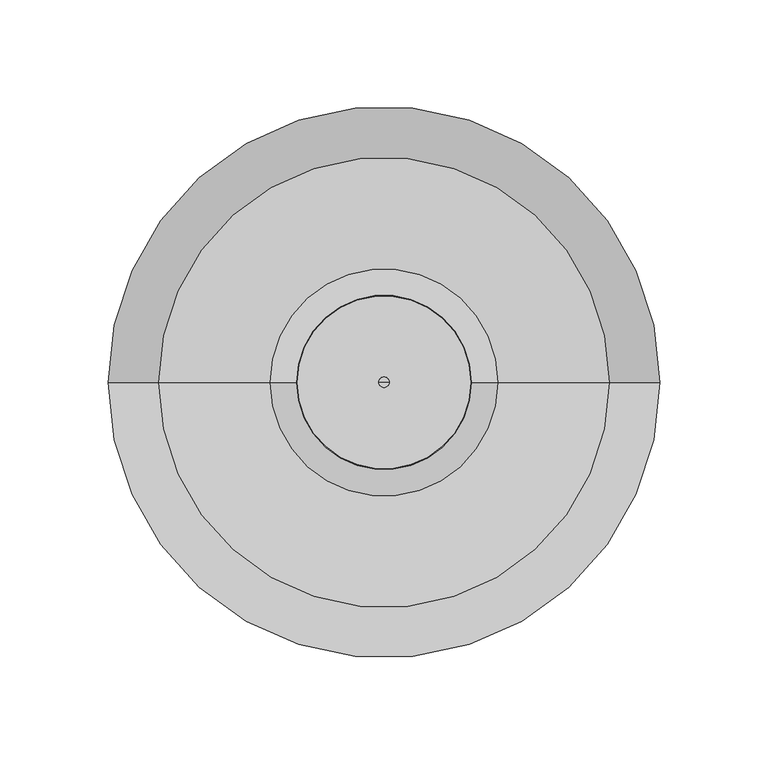
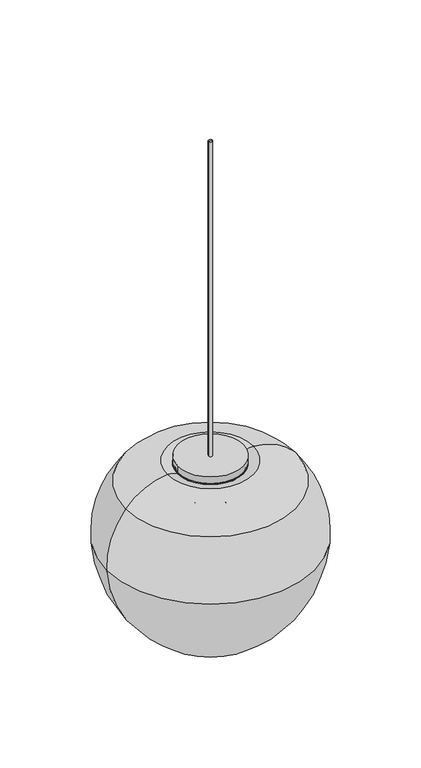
"""IFC4 building model written with IfcOpenShell, lengths in millimetres: furniture geometry."""

from ifc_helpers import new_model, si_unit, point, frame, origin, origin_2d, place, context, project, spatial, polyline, circle_curve, ellipse_curve, trimmed, segment, composite_curve, outline, extrude, source, transform, mapped, element, save
from ifc_brep_helpers import plane_surface, cylinder_surface, revolved_surface, advanced_brep


def furniture_e28f69b6(model_context):
    return source(origin(), model_context, "Body", "SolidModel", [
        advanced_brep(
        [(2.4, 0.0, 2618.0848085), (-2.4, 0.0, 2618.0848085), (0.0, 0.0, 2618.0848085), (2.4, 0.0, 2210.3532591), (-2.4, 0.0, 2210.3532591), (0.0, 0.0, 2210.3532591)],
        [
            (0, 1, circle_curve(frame((0.0, 0.0, 2618.0848085), z_axis=(0.0, 0.0, 1.0), x_axis=(-1.0, 0.0, 0.0)), 2.4)),
            (1, 2),
            (2, 0),
            (1, 0, circle_curve(frame((0.0, 0.0, 2618.0848085), z_axis=(0.0, 0.0, 1.0), x_axis=(-1.0, 0.0, 0.0)), 2.4)),
            (3, 4, circle_curve(frame((0.0, 0.0, 2210.3532591), z_axis=(0.0, 0.0, 1.0), x_axis=(-1.0, 0.0, 0.0)), 2.4)),
            (4, 1),
            (0, 3),
            (4, 3, circle_curve(frame((0.0, 0.0, 2210.3532591), z_axis=(0.0, 0.0, 1.0), x_axis=(-1.0, 0.0, 0.0)), 2.4)),
            (5, 4),
            (3, 5),
        ],
        [
            plane_surface(frame((0.0, 0.0, 2618.0848085), z_axis=(0.0, 0.0, 1.0), x_axis=(-1.0, 0.0, 0.0))),
            cylinder_surface(frame((0.0, 0.0, 2758.0848085), z_axis=(0.0, 0.0, -1.0), x_axis=(-1.0, 0.0, 0.0)), 2.4),
            plane_surface(frame((0.0, 0.0, 2210.3532591), z_axis=(0.0, 0.0, -1.0), x_axis=(-1.0, 0.0, 0.0))),
        ],
        [
            (0, [[1, 2, 3]]),
            (0, [[4, -3, -2]]),
            (1, [[5, 6, -1, 7]]),
            (1, [[8, -7, -4, -6]]),
            (2, [[9, -5, 10]]),
            (2, [[-10, -8, -9]]),
        ],
    ),
        advanced_brep(
        [(33.0484978, 0.0, 2171.3856638), (-33.0484978, 0.0, 2171.3856638), (-17.1131764, 0.0, 2169.3398584), (17.1131764, 0.0, 2169.3398584), (37.6178913, 0.0, 2196.3188696), (-37.6178913, 0.0, 2196.3188696), (40.3357494, 0.0, 2200.504004), (-40.3357494, 0.0, 2200.504004), (52.541004, 0.0, 2203.8743667), (-52.541004, 0.0, 2203.8743667), (104.0407259, 0.0, 2177.6339478), (-104.0407259, 0.0, 2177.6339478), (127.4379676, 0.0, 2106.2550346), (-127.4379676, 0.0, 2106.2550346), (66.3374457, 0.0, 1995.0802981), (-66.3374457, 0.0, 1995.0802981), (54.304467, 0.0, 1990.700652), (-54.304467, 0.0, 1990.700652), (48.170772, 0.0, 1987.4885739), (-48.170772, 0.0, 1987.4885739), (34.0618857, 0.0, 1987.4885739), (-34.0618857, 0.0, 1987.4885739), (44.0533764, 0.0, 1994.3860591), (-44.0533764, 0.0, 1994.3860591), (97.6764874, 0.0, 2039.3811918), (-97.6764874, 0.0, 2039.3811918), (86.7603607, 0.0, 2152.6830276), (-86.7603607, 0.0, 2152.6830276), (75.640033, 0.0, 2158.9844225), (-75.640033, 0.0, 2158.9844225), (17.1131764, 0.0, 2163.406597), (-17.1131764, 0.0, 2163.406597), (10.8107358, 0.0, 2163.406597), (-10.8107358, 0.0, 2163.406597), (10.8107358, 0.0, 2165.5046274), (-10.8107358, 0.0, 2165.5046274), (17.1131764, 0.0, 2165.5046274), (-17.1131764, 0.0, 2165.5046274)],
        [
            (0, 1, circle_curve(frame((0.0, 0.0, 2171.3856638), z_axis=(0.0, 0.0, 1.0), x_axis=(-1.0, 0.0, 0.0)), 33.0484978)),
            (1, 2),
            (2, 3, circle_curve(frame((0.0, 0.0, 2169.3398584), z_axis=(0.0, 0.0, -1.0), x_axis=(-1.0, 0.0, 0.0)), 17.1131764)),
            (3, 0),
            (1, 0, circle_curve(frame((0.0, 0.0, 2171.3856638), z_axis=(0.0, 0.0, 1.0), x_axis=(-1.0, 0.0, 0.0)), 33.0484978)),
            (3, 2, circle_curve(frame((0.0, 0.0, 2169.3398584), z_axis=(0.0, 0.0, -1.0), x_axis=(-1.0, 0.0, 0.0)), 17.1131764)),
            (4, 5, circle_curve(frame((0.0, 0.0, 2196.3188696), z_axis=(0.0, 0.0, 1.0), x_axis=(-1.0, 0.0, 0.0)), 37.6178913)),
            (5, 1),
            (0, 4),
            (5, 4, circle_curve(frame((0.0, 0.0, 2196.3188696), z_axis=(0.0, 0.0, 1.0), x_axis=(-1.0, 0.0, 0.0)), 37.6178913)),
            (6, 7, circle_curve(frame((0.0, 0.0, 2200.504004), z_axis=(0.0, 0.0, 1.0), x_axis=(-1.0, 0.0, 0.0)), 40.3357494)),
            (7, 5, circle_curve(frame((-44.0002056, 0.0, 2195.1492123), z_axis=(0.0, 1.0, 0.0), x_axis=(1.0, 0.0, 0.0)), 6.488608)),
            (4, 6, circle_curve(frame((44.0002056, 0.0, 2195.1492123), z_axis=(0.0, 1.0, 0.0), x_axis=(-1.0, 0.0, 0.0)), 6.488608)),
            (7, 6, circle_curve(frame((0.0, 0.0, 2200.504004), z_axis=(0.0, 0.0, 1.0), x_axis=(-1.0, 0.0, 0.0)), 40.3357494)),
            (8, 9, circle_curve(frame((0.0, 0.0, 2203.8743667), z_axis=(0.0, 0.0, 1.0), x_axis=(-1.0, 0.0, 0.0)), 52.541004)),
            (9, 7, circle_curve(frame((-51.3469336, 0.0, 2184.4135951), z_axis=(0.0, 1.0, 0.0), x_axis=(1.0, 0.0, 0.0)), 19.49737)),
            (6, 8, circle_curve(frame((51.3469336, 0.0, 2184.4135951), z_axis=(0.0, 1.0, 0.0), x_axis=(-1.0, 0.0, 0.0)), 19.49737)),
            (9, 8, circle_curve(frame((0.0, 0.0, 2203.8743667), z_axis=(0.0, 0.0, 1.0), x_axis=(-1.0, 0.0, 0.0)), 52.541004)),
            (10, 11, circle_curve(frame((0.0, 0.0, 2177.6339478), z_axis=(0.0, 0.0, 1.0), x_axis=(-1.0, 0.0, 0.0)), 104.0407259)),
            (11, 9, circle_curve(frame((-48.1003953, 0.0, 2131.5020244), z_axis=(0.0, 1.0, 0.0), x_axis=(1.0, 0.0, 0.0)), 72.5084474)),
            (8, 10, circle_curve(frame((48.1003953, 0.0, 2131.5020244), z_axis=(0.0, 1.0, 0.0), x_axis=(-1.0, 0.0, 0.0)), 72.5084474)),
            (11, 10, circle_curve(frame((0.0, 0.0, 2177.6339478), z_axis=(0.0, 0.0, 1.0), x_axis=(-1.0, 0.0, 0.0)), 104.0407259)),
            (12, 13, circle_curve(frame((0.0, 0.0, 2106.2550346), z_axis=(0.0, 0.0, 1.0), x_axis=(-1.0, 0.0, 0.0)), 127.4379676)),
            (13, 11, circle_curve(frame((-24.4950932, 0.0, 2112.0356041), z_axis=(0.0, 1.0, 0.0), x_axis=(1.0, 0.0, 0.0)), 103.1050453)),
            (10, 12, circle_curve(frame((24.4950932, 0.0, 2112.0356041), z_axis=(0.0, 1.0, 0.0), x_axis=(-1.0, 0.0, 0.0)), 103.1050453)),
            (13, 12, circle_curve(frame((0.0, 0.0, 2106.2550346), z_axis=(0.0, 0.0, 1.0), x_axis=(-1.0, 0.0, 0.0)), 127.4379676)),
            (14, 15, circle_curve(frame((0.0, 0.0, 1995.0802981), z_axis=(0.0, 0.0, 1.0), x_axis=(-1.0, 0.0, 0.0)), 66.3374457)),
            (15, 13, circle_curve(frame((19.2423862, 0.0, 2114.4916025), z_axis=(0.0, 1.0, 0.0), x_axis=(1.0, 0.0, 0.0)), 146.9114266)),
            (12, 14, circle_curve(frame((-19.2423862, 0.0, 2114.4916025), z_axis=(0.0, 1.0, 0.0), x_axis=(-1.0, 0.0, 0.0)), 146.9114266)),
            (15, 14, circle_curve(frame((0.0, 0.0, 1995.0802981), z_axis=(0.0, 0.0, 1.0), x_axis=(-1.0, 0.0, 0.0)), 66.3374457)),
            (16, 17, circle_curve(frame((0.0, 0.0, 1990.700652), z_axis=(0.0, 0.0, 1.0), x_axis=(-1.0, 0.0, 0.0)), 54.304467)),
            (17, 15, circle_curve(frame((-52.4929036, 0.0, 2014.3978731), z_axis=(0.0, 1.0, 0.0), x_axis=(1.0, 0.0, 0.0)), 23.7663639)),
            (14, 16, circle_curve(frame((52.4929036, 0.0, 2014.3978731), z_axis=(0.0, 1.0, 0.0), x_axis=(-1.0, 0.0, 0.0)), 23.7663639)),
            (17, 16, circle_curve(frame((0.0, 0.0, 1990.700652), z_axis=(0.0, 0.0, 1.0), x_axis=(-1.0, 0.0, 0.0)), 54.304467)),
            (18, 19, circle_curve(frame((0.0, 0.0, 1987.4885739), z_axis=(0.0, 0.0, 1.0), x_axis=(-1.0, 0.0, 0.0)), 48.170772)),
            (19, 17, circle_curve(frame((-54.972452, 0.0, 1981.9626806), z_axis=(0.0, -1.0, 0.0), x_axis=(1.0, 0.0, 0.0)), 8.7634667)),
            (16, 18, circle_curve(frame((54.972452, 0.0, 1981.9626806), z_axis=(0.0, -1.0, 0.0), x_axis=(-1.0, 0.0, 0.0)), 8.7634667)),
            (19, 18, circle_curve(frame((0.0, 0.0, 1987.4885739), z_axis=(0.0, 0.0, 1.0), x_axis=(-1.0, 0.0, 0.0)), 48.170772)),
            (20, 21, circle_curve(frame((0.0, 0.0, 1987.4885739), z_axis=(0.0, 0.0, 1.0), x_axis=(-1.0, 0.0, 0.0)), 34.0618857)),
            (21, 19),
            (18, 20),
            (21, 20, circle_curve(frame((0.0, 0.0, 1987.4885739), z_axis=(0.0, 0.0, 1.0), x_axis=(-1.0, 0.0, 0.0)), 34.0618857)),
            (22, 23, circle_curve(frame((0.0, 0.0, 1994.3860591), z_axis=(0.0, 0.0, 1.0), x_axis=(-1.0, 0.0, 0.0)), 44.0533764)),
            (23, 21, circle_curve(frame((-48.3405519, 0.0, 1977.4903552), z_axis=(0.0, 1.0, 0.0), x_axis=(1.0, 0.0, 0.0)), 17.4311412)),
            (20, 22, circle_curve(frame((48.3405519, 0.0, 1977.4903552), z_axis=(0.0, 1.0, 0.0), x_axis=(-1.0, 0.0, 0.0)), 17.4311412)),
            (23, 22, circle_curve(frame((0.0, 0.0, 1994.3860591), z_axis=(0.0, 0.0, 1.0), x_axis=(-1.0, 0.0, 0.0)), 44.0533764)),
            (24, 25, circle_curve(frame((0.0, 0.0, 2039.3811918), z_axis=(0.0, 0.0, 1.0), x_axis=(-1.0, 0.0, 0.0)), 97.6764874)),
            (25, 23, circle_curve(frame((-24.2477356, 0.0, 2072.4398367), z_axis=(0.0, -1.0, 0.0), x_axis=(1.0, 0.0, 0.0)), 80.5273593)),
            (22, 24, circle_curve(frame((24.2477356, 0.0, 2072.4398367), z_axis=(0.0, -1.0, 0.0), x_axis=(-1.0, 0.0, 0.0)), 80.5273593)),
            (25, 24, circle_curve(frame((0.0, 0.0, 2039.3811918), z_axis=(0.0, 0.0, 1.0), x_axis=(-1.0, 0.0, 0.0)), 97.6764874)),
            (26, 27, circle_curve(frame((0.0, 0.0, 2152.6830276), z_axis=(0.0, 0.0, 1.0), x_axis=(-1.0, 0.0, 0.0)), 86.7603607)),
            (27, 25, circle_curve(frame((6.9356984, 0.0, 2086.4790521), z_axis=(0.0, -1.0, 0.0), x_axis=(1.0, 0.0, 0.0)), 114.725402)),
            (24, 26, circle_curve(frame((-6.9356984, 0.0, 2086.4790521), z_axis=(0.0, -1.0, 0.0), x_axis=(-1.0, 0.0, 0.0)), 114.725402)),
            (27, 26, circle_curve(frame((0.0, 0.0, 2152.6830276), z_axis=(0.0, 0.0, 1.0), x_axis=(-1.0, 0.0, 0.0)), 86.7603607)),
            (28, 29, circle_curve(frame((0.0, 0.0, 2158.9844225), z_axis=(0.0, 0.0, 1.0), x_axis=(-1.0, 0.0, 0.0)), 75.640033)),
            (29, 27, circle_curve(frame((-74.5098838, 0.0, 2144.0270576), z_axis=(0.0, -1.0, 0.0), x_axis=(1.0, 0.0, 0.0)), 15.0)),
            (26, 28, circle_curve(frame((74.5098838, 0.0, 2144.0270576), z_axis=(0.0, -1.0, 0.0), x_axis=(-1.0, 0.0, 0.0)), 15.0)),
            (29, 28, circle_curve(frame((0.0, 0.0, 2158.9844225), z_axis=(0.0, 0.0, 1.0), x_axis=(-1.0, 0.0, 0.0)), 75.640033)),
            (30, 31, circle_curve(frame((0.0, 0.0, 2163.406597), z_axis=(0.0, 0.0, 1.0), x_axis=(-1.0, 0.0, 0.0)), 17.1131764)),
            (31, 29),
            (28, 30),
            (31, 30, circle_curve(frame((0.0, 0.0, 2163.406597), z_axis=(0.0, 0.0, 1.0), x_axis=(-1.0, 0.0, 0.0)), 17.1131764)),
            (32, 33, circle_curve(frame((0.0, 0.0, 2163.406597), z_axis=(0.0, 0.0, 1.0), x_axis=(-1.0, 0.0, 0.0)), 10.8107358)),
            (33, 31),
            (30, 32),
            (33, 32, circle_curve(frame((0.0, 0.0, 2163.406597), z_axis=(0.0, 0.0, 1.0), x_axis=(-1.0, 0.0, 0.0)), 10.8107358)),
            (34, 35, circle_curve(frame((0.0, 0.0, 2165.5046274), z_axis=(0.0, 0.0, 1.0), x_axis=(-1.0, 0.0, 0.0)), 10.8107358)),
            (35, 33),
            (32, 34),
            (35, 34, circle_curve(frame((0.0, 0.0, 2165.5046274), z_axis=(0.0, 0.0, 1.0), x_axis=(-1.0, 0.0, 0.0)), 10.8107358)),
            (36, 37, circle_curve(frame((0.0, 0.0, 2165.5046274), z_axis=(0.0, 0.0, 1.0), x_axis=(-1.0, 0.0, 0.0)), 17.1131764)),
            (37, 35),
            (34, 36),
            (37, 36, circle_curve(frame((0.0, 0.0, 2165.5046274), z_axis=(0.0, 0.0, 1.0), x_axis=(-1.0, 0.0, 0.0)), 17.1131764)),
            (2, 37),
            (36, 3),
        ],
        [
            revolved_surface(polyline([(-17.1131764, 0.0, 2169.3398584), (-33.0484978, 0.0, 2171.3856638)]), (0.0, 0.0, 2253.2393661), (0.0, 0.0, -1.0)),
            revolved_surface(polyline([(-33.0484978, 0.0, 2171.3856638), (-37.6178913, 0.0, 2196.3188696)]), (0.0, 0.0, 2253.2393661), (0.0, 0.0, -1.0)),
            revolved_surface(trimmed(ellipse_curve(frame((-44.0002056, 0.0, 2195.1492123), z_axis=(0.0, -1.0, 0.0), x_axis=(1.0, 0.0, 0.0)), 6.488608, 6.488608), [point((-37.6178913, 0.0, 2196.3188696))], [point((-40.3357494, 0.0, 2200.504004))], True, "CARTESIAN"), (0.0, 0.0, 2253.2393661), (0.0, 0.0, -1.0)),
            revolved_surface(trimmed(ellipse_curve(frame((-51.3469336, 0.0, 2184.4135951), z_axis=(0.0, -1.0, 0.0), x_axis=(1.0, 0.0, 0.0)), 19.49737, 19.49737), [point((-40.3357494, 0.0, 2200.504004))], [point((-52.541004, 0.0, 2203.8743667))], True, "CARTESIAN"), (0.0, 0.0, 2253.2393661), (0.0, 0.0, -1.0)),
            revolved_surface(trimmed(ellipse_curve(frame((-48.1003953, 0.0, 2131.5020244), z_axis=(0.0, -1.0, 0.0), x_axis=(1.0, 0.0, 0.0)), 72.5084474, 72.5084474), [point((-52.541004, 0.0, 2203.8743667))], [point((-104.0407259, 0.0, 2177.6339478))], True, "CARTESIAN"), (0.0, 0.0, 2253.2393661), (0.0, 0.0, -1.0)),
            revolved_surface(trimmed(ellipse_curve(frame((-24.4950932, 0.0, 2112.0356041), z_axis=(0.0, -1.0, 0.0), x_axis=(1.0, 0.0, 0.0)), 103.1050453, 103.1050453), [point((-104.0407259, 0.0, 2177.6339478))], [point((-127.4379676, 0.0, 2106.2550346))], True, "CARTESIAN"), (0.0, 0.0, 2253.2393661), (0.0, 0.0, -1.0)),
            revolved_surface(trimmed(ellipse_curve(frame((19.2423862, 0.0, 2114.4916025), z_axis=(0.0, -1.0, 0.0), x_axis=(1.0, 0.0, 0.0)), 146.9114266, 146.9114266), [point((-127.4379676, 0.0, 2106.2550346))], [point((-66.3374457, 0.0, 1995.0802981))], True, "CARTESIAN"), (0.0, 0.0, 2253.2393661), (0.0, 0.0, -1.0)),
            revolved_surface(trimmed(ellipse_curve(frame((-52.4929036, 0.0, 2014.3978731), z_axis=(0.0, -1.0, 0.0), x_axis=(1.0, 0.0, 0.0)), 23.7663639, 23.7663639), [point((-66.3374457, 0.0, 1995.0802981))], [point((-54.304467, 0.0, 1990.700652))], True, "CARTESIAN"), (0.0, 0.0, 2253.2393661), (0.0, 0.0, -1.0)),
            revolved_surface(trimmed(ellipse_curve(frame((-54.972452, 0.0, 1981.9626806), z_axis=(0.0, 1.0, 0.0), x_axis=(1.0, 0.0, 0.0)), 8.7634667, 8.7634667), [point((-54.304467, 0.0, 1990.700652))], [point((-48.170772, 0.0, 1987.4885739))], True, "CARTESIAN"), (0.0, 0.0, 2253.2393661), (0.0, 0.0, -1.0)),
            plane_surface(frame((0.0, 0.0, 1987.4885739), z_axis=(0.0, 0.0, -1.0), x_axis=(-1.0, 0.0, 0.0))),
            revolved_surface(trimmed(ellipse_curve(frame((-48.3405519, 0.0, 1977.4903552), z_axis=(0.0, -1.0, 0.0), x_axis=(1.0, 0.0, 0.0)), 17.4311412, 17.4311412), [point((-34.0618857, 0.0, 1987.4885739))], [point((-44.0533764, 0.0, 1994.3860591))], True, "CARTESIAN"), (0.0, 0.0, 2253.2393661), (0.0, 0.0, -1.0)),
            revolved_surface(trimmed(ellipse_curve(frame((-24.2477356, 0.0, 2072.4398367), z_axis=(0.0, 1.0, 0.0), x_axis=(1.0, 0.0, 0.0)), 80.5273593, 80.5273593), [point((-44.0533764, 0.0, 1994.3860591))], [point((-97.6764874, 0.0, 2039.3811918))], True, "CARTESIAN"), (0.0, 0.0, 2253.2393661), (0.0, 0.0, -1.0)),
            revolved_surface(trimmed(ellipse_curve(frame((6.9356984, 0.0, 2086.4790521), z_axis=(0.0, 1.0, 0.0), x_axis=(1.0, 0.0, 0.0)), 114.725402, 114.725402), [point((-97.6764874, 0.0, 2039.3811918))], [point((-86.7603607, 0.0, 2152.6830276))], True, "CARTESIAN"), (0.0, 0.0, 2253.2393661), (0.0, 0.0, -1.0)),
            revolved_surface(trimmed(ellipse_curve(frame((-74.5098838, 0.0, 2144.0270576), z_axis=(0.0, 1.0, 0.0), x_axis=(1.0, 0.0, 0.0)), 15.0, 15.0), [point((-86.7603607, 0.0, 2152.6830276))], [point((-75.640033, 0.0, 2158.9844225))], True, "CARTESIAN"), (0.0, 0.0, 2253.2393661), (0.0, 0.0, -1.0)),
            revolved_surface(polyline([(-75.640033, 0.0, 2158.9844225), (-17.1131764, 0.0, 2163.406597)]), (0.0, 0.0, 2253.2393661), (0.0, 0.0, -1.0)),
            plane_surface(frame((0.0, 0.0, 2163.406597), z_axis=(0.0, 0.0, -1.0), x_axis=(-1.0, 0.0, 0.0))),
            revolved_surface(polyline([(-10.8107358, 0.0, 2163.406597), (-10.8107358, 0.0, 2165.5046274)]), (0.0, 0.0, 2253.2393661), (0.0, 0.0, -1.0)),
            plane_surface(frame((0.0, 0.0, 2165.5046274), z_axis=(0.0, 0.0, 1.0), x_axis=(-1.0, 0.0, 0.0))),
            revolved_surface(polyline([(-17.1131764, 0.0, 2165.5046274), (-17.1131764, 0.0, 2169.3398584)]), (0.0, 0.0, 2253.2393661), (0.0, 0.0, -1.0)),
        ],
        [
            (0, [[1, 2, 3, 4]]),
            (0, [[5, -4, 6, -2]]),
            (1, [[7, 8, -1, 9]]),
            (1, [[10, -9, -5, -8]]),
            (2, [[11, 12, -7, 13]]),
            (2, [[14, -13, -10, -12]]),
            (3, [[15, 16, -11, 17]]),
            (3, [[18, -17, -14, -16]]),
            (4, [[19, 20, -15, 21]]),
            (4, [[22, -21, -18, -20]]),
            (5, [[23, 24, -19, 25]]),
            (5, [[26, -25, -22, -24]]),
            (6, [[27, 28, -23, 29]]),
            (6, [[30, -29, -26, -28]]),
            (7, [[31, 32, -27, 33]]),
            (7, [[34, -33, -30, -32]]),
            (8, [[35, 36, -31, 37]]),
            (8, [[38, -37, -34, -36]]),
            (9, [[39, 40, -35, 41]]),
            (9, [[42, -41, -38, -40]]),
            (10, [[43, 44, -39, 45]]),
            (10, [[46, -45, -42, -44]]),
            (11, [[47, 48, -43, 49]]),
            (11, [[50, -49, -46, -48]]),
            (12, [[51, 52, -47, 53]]),
            (12, [[54, -53, -50, -52]]),
            (13, [[55, 56, -51, 57]]),
            (13, [[58, -57, -54, -56]]),
            (14, [[59, 60, -55, 61]]),
            (14, [[62, -61, -58, -60]]),
            (15, [[63, 64, -59, 65]]),
            (15, [[66, -65, -62, -64]]),
            (16, [[67, 68, -63, 69]]),
            (16, [[70, -69, -66, -68]]),
            (17, [[71, 72, -67, 73]]),
            (17, [[74, -73, -70, -72]]),
            (18, [[-3, 75, -71, 76]]),
            (18, [[-6, -76, -74, -75]]),
        ],
    ),
        advanced_brep(
        [(18.0469701, 0.0, 2143.9706819), (-18.0469701, 0.0, 2143.9706819), (-14.1689248, 0.0, 2146.9904958), (14.1689248, 0.0, 2146.9904958), (29.9624187, 0.0, 2096.8279508), (-29.9624187, 0.0, 2096.8279508), (28.4040291, 0.0, 2063.6609346), (-28.4040291, 0.0, 2063.6609346), (0.0, 0.0, 2043.6110412), (0.0, 0.0, 2146.9904958)],
        [
            (0, 1, circle_curve(frame((0.0, 0.0, 2143.9706819), z_axis=(0.0, 0.0, 1.0), x_axis=(-1.0, 0.0, 0.0)), 18.0469701)),
            (1, 2, circle_curve(frame((-14.1689248, 0.0, 2142.9904958), z_axis=(0.0, 1.0, 0.0), x_axis=(1.0, 0.0, 0.0)), 4.0)),
            (2, 3, circle_curve(frame((0.0, 0.0, 2146.9904958), z_axis=(0.0, 0.0, -1.0), x_axis=(-1.0, 0.0, 0.0)), 14.1689248)),
            (3, 0, circle_curve(frame((14.1689248, 0.0, 2142.9904958), z_axis=(0.0, 1.0, 0.0), x_axis=(-1.0, 0.0, 0.0)), 4.0)),
            (1, 0, circle_curve(frame((0.0, 0.0, 2143.9706819), z_axis=(0.0, 0.0, 1.0), x_axis=(-1.0, 0.0, 0.0)), 18.0469701)),
            (3, 2, circle_curve(frame((0.0, 0.0, 2146.9904958), z_axis=(0.0, 0.0, -1.0), x_axis=(-1.0, 0.0, 0.0)), 14.1689248)),
            (4, 5, circle_curve(frame((0.0, 0.0, 2096.8279508), z_axis=(0.0, 0.0, 1.0), x_axis=(-1.0, 0.0, 0.0)), 29.9624187)),
            (5, 1),
            (0, 4),
            (5, 4, circle_curve(frame((0.0, 0.0, 2096.8279508), z_axis=(0.0, 0.0, 1.0), x_axis=(-1.0, 0.0, 0.0)), 29.9624187)),
            (6, 7, circle_curve(frame((0.0, 0.0, 2063.6609346), z_axis=(0.0, 0.0, 1.0), x_axis=(-1.0, 0.0, 0.0)), 28.4040291)),
            (7, 5, circle_curve(frame((25.4862673, 0.0, 2082.8131503), z_axis=(0.0, 1.0, 0.0), x_axis=(1.0, 0.0, 0.0)), 57.1924069)),
            (4, 6, circle_curve(frame((-25.4862673, 0.0, 2082.8131503), z_axis=(0.0, 1.0, 0.0), x_axis=(-1.0, 0.0, 0.0)), 57.1924069)),
            (7, 6, circle_curve(frame((0.0, 0.0, 2063.6609346), z_axis=(0.0, 0.0, 1.0), x_axis=(-1.0, 0.0, 0.0)), 28.4040291)),
            (8, 7, circle_curve(frame((0.0, 0.0, 2073.755518), z_axis=(0.0, 1.0, 0.0), x_axis=(1.0, 0.0, 0.0)), 30.1444768)),
            (6, 8, circle_curve(frame((0.0, 0.0, 2073.755518), z_axis=(0.0, 1.0, 0.0), x_axis=(-1.0, 0.0, 0.0)), 30.1444768)),
            (2, 9),
            (9, 3),
        ],
        [
            revolved_surface(trimmed(ellipse_curve(frame((-14.1689248, 0.0, 2142.9904958), z_axis=(0.0, -1.0, 0.0), x_axis=(1.0, 0.0, 0.0)), 4.0, 4.0), [point((-14.1689248, 0.0, 2146.9904958))], [point((-18.0469701, 0.0, 2143.9706819))], True, "CARTESIAN"), (0.0, 0.0, 2382.5867304), (0.0, 0.0, -1.0)),
            revolved_surface(polyline([(-18.0469701, 0.0, 2143.9706819), (-29.9624187, 0.0, 2096.8279508)]), (0.0, 0.0, 2382.5867304), (0.0, 0.0, -1.0)),
            revolved_surface(trimmed(ellipse_curve(frame((25.4862673, 0.0, 2082.8131503), z_axis=(0.0, -1.0, 0.0), x_axis=(1.0, 0.0, 0.0)), 57.1924069, 57.1924069), [point((-29.9624187, 0.0, 2096.8279508))], [point((-28.4040291, 0.0, 2063.6609346))], True, "CARTESIAN"), (0.0, 0.0, 2382.5867304), (0.0, 0.0, -1.0)),
            revolved_surface(trimmed(ellipse_curve(frame((0.0, 0.0, 2073.755518), z_axis=(0.0, -1.0, 0.0), x_axis=(1.0, 0.0, 0.0)), 30.1444768, 30.1444768), [point((-28.4040291, 0.0, 2063.6609346))], [point((0.0, 0.0, 2043.6110412))], True, "CARTESIAN"), (0.0, 0.0, 2382.5867304), (0.0, 0.0, -1.0)),
            plane_surface(frame((0.0, 0.0, 2146.9904958), z_axis=(0.0, 0.0, 1.0), x_axis=(-1.0, 0.0, 0.0))),
        ],
        [
            (0, [[1, 2, 3, 4]]),
            (0, [[5, -4, 6, -2]]),
            (1, [[7, 8, -1, 9]]),
            (1, [[10, -9, -5, -8]]),
            (2, [[11, 12, -7, 13]]),
            (2, [[14, -13, -10, -12]]),
            (3, [[15, -11, 16]]),
            (3, [[-16, -14, -15]]),
            (4, [[-3, 17, 18]]),
            (4, [[-6, -18, -17]]),
        ],
    ),
        advanced_brep(
        [(33.0484978, 0.0, 2171.3856638), (-33.0484978, 0.0, 2171.3856638), (-37.7989528, 0.0, 2197.2896059), (37.7989528, 0.0, 2197.2896059), (17.1131764, 0.0, 2169.3398584), (-17.1131764, 0.0, 2169.3398584), (17.1131764, 0.0, 2165.5046274), (-17.1131764, 0.0, 2165.5046274), (10.8107358, 0.0, 2165.5046274), (-10.8107358, 0.0, 2165.5046274), (10.8107358, 0.0, 2146.9904958), (-10.8107358, 0.0, 2146.9904958), (0.0, 0.0, 2146.9904958), (40.0, 0.0, 2201.5378088), (-40.0, 0.0, 2201.5378088), (0.0, 0.0, 2201.5378088), (40.0, 0.0, 2200.3093923), (-40.0, 0.0, 2200.3093923)],
        [
            (0, 1, circle_curve(frame((0.0, 0.0, 2171.3856638), z_axis=(0.0, 0.0, 1.0), x_axis=(-1.0, 0.0, 0.0)), 33.0484978)),
            (1, 2),
            (2, 3, circle_curve(frame((0.0, 0.0, 2197.2896059), z_axis=(0.0, 0.0, -1.0), x_axis=(-1.0, 0.0, 0.0)), 37.7989528)),
            (3, 0),
            (1, 0, circle_curve(frame((0.0, 0.0, 2171.3856638), z_axis=(0.0, 0.0, 1.0), x_axis=(-1.0, 0.0, 0.0)), 33.0484978)),
            (3, 2, circle_curve(frame((0.0, 0.0, 2197.2896059), z_axis=(0.0, 0.0, -1.0), x_axis=(-1.0, 0.0, 0.0)), 37.7989528)),
            (4, 5, circle_curve(frame((0.0, 0.0, 2169.3398584), z_axis=(0.0, 0.0, 1.0), x_axis=(-1.0, 0.0, 0.0)), 17.1131764)),
            (5, 1),
            (0, 4),
            (5, 4, circle_curve(frame((0.0, 0.0, 2169.3398584), z_axis=(0.0, 0.0, 1.0), x_axis=(-1.0, 0.0, 0.0)), 17.1131764)),
            (6, 7, circle_curve(frame((0.0, 0.0, 2165.5046274), z_axis=(0.0, 0.0, 1.0), x_axis=(-1.0, 0.0, 0.0)), 17.1131764)),
            (7, 5),
            (4, 6),
            (7, 6, circle_curve(frame((0.0, 0.0, 2165.5046274), z_axis=(0.0, 0.0, 1.0), x_axis=(-1.0, 0.0, 0.0)), 17.1131764)),
            (8, 9, circle_curve(frame((0.0, 0.0, 2165.5046274), z_axis=(0.0, 0.0, 1.0), x_axis=(-1.0, 0.0, 0.0)), 10.8107358)),
            (9, 7),
            (6, 8),
            (9, 8, circle_curve(frame((0.0, 0.0, 2165.5046274), z_axis=(0.0, 0.0, 1.0), x_axis=(-1.0, 0.0, 0.0)), 10.8107358)),
            (10, 11, circle_curve(frame((0.0, 0.0, 2146.9904958), z_axis=(0.0, 0.0, 1.0), x_axis=(-1.0, 0.0, 0.0)), 10.8107358)),
            (11, 9),
            (8, 10),
            (11, 10, circle_curve(frame((0.0, 0.0, 2146.9904958), z_axis=(0.0, 0.0, 1.0), x_axis=(-1.0, 0.0, 0.0)), 10.8107358)),
            (12, 11),
            (10, 12),
            (13, 14, circle_curve(frame((0.0, 0.0, 2201.5378088), z_axis=(0.0, 0.0, 1.0), x_axis=(-1.0, 0.0, 0.0)), 40.0)),
            (14, 15),
            (15, 13),
            (14, 13, circle_curve(frame((0.0, 0.0, 2201.5378088), z_axis=(0.0, 0.0, 1.0), x_axis=(-1.0, 0.0, 0.0)), 40.0)),
            (16, 17, circle_curve(frame((0.0, 0.0, 2200.3093923), z_axis=(0.0, 0.0, 1.0), x_axis=(-1.0, 0.0, 0.0)), 40.0)),
            (17, 14),
            (13, 16),
            (17, 16, circle_curve(frame((0.0, 0.0, 2200.3093923), z_axis=(0.0, 0.0, 1.0), x_axis=(-1.0, 0.0, 0.0)), 40.0)),
            (2, 17, circle_curve(frame((-42.0374298, 0.0, 2196.5123229), z_axis=(0.0, -1.0, 0.0), x_axis=(1.0, 0.0, 0.0)), 4.3091596)),
            (16, 3, circle_curve(frame((42.0374298, 0.0, 2196.5123229), z_axis=(0.0, -1.0, 0.0), x_axis=(-1.0, 0.0, 0.0)), 4.3091596)),
        ],
        [
            revolved_surface(polyline([(-37.7989528, 0.0, 2197.2896059), (-33.0484978, 0.0, 2171.3856638)]), (0.0, 0.0, 2392.1340433), (0.0, 0.0, -1.0)),
            revolved_surface(polyline([(-33.0484978, 0.0, 2171.3856638), (-17.1131764, 0.0, 2169.3398584)]), (0.0, 0.0, 2392.1340433), (0.0, 0.0, -1.0)),
            cylinder_surface(frame((0.0, 0.0, 2392.1340433), z_axis=(0.0, 0.0, -1.0), x_axis=(-1.0, 0.0, 0.0)), 17.1131764),
            plane_surface(frame((0.0, 0.0, 2165.5046274), z_axis=(0.0, 0.0, -1.0), x_axis=(-1.0, 0.0, 0.0))),
            cylinder_surface(frame((0.0, 0.0, 2392.1340433), z_axis=(0.0, 0.0, -1.0), x_axis=(-1.0, 0.0, 0.0)), 10.8107358),
            plane_surface(frame((0.0, 0.0, 2146.9904958), z_axis=(0.0, 0.0, -1.0), x_axis=(-1.0, 0.0, 0.0))),
            plane_surface(frame((0.0, 0.0, 2201.5378088), z_axis=(0.0, 0.0, 1.0), x_axis=(-1.0, 0.0, 0.0))),
            cylinder_surface(frame((0.0, 0.0, 2392.1340433), z_axis=(0.0, 0.0, -1.0), x_axis=(-1.0, 0.0, 0.0)), 40.0),
            revolved_surface(trimmed(ellipse_curve(frame((-42.0374298, 0.0, 2196.5123229), z_axis=(0.0, 1.0, 0.0), x_axis=(1.0, 0.0, 0.0)), 4.3091596, 4.3091596), [point((-40.0, 0.0, 2200.3093923))], [point((-37.7989528, 0.0, 2197.2896059))], True, "CARTESIAN"), (0.0, 0.0, 2392.1340433), (0.0, 0.0, -1.0)),
        ],
        [
            (0, [[1, 2, 3, 4]]),
            (0, [[5, -4, 6, -2]]),
            (1, [[7, 8, -1, 9]]),
            (1, [[10, -9, -5, -8]]),
            (2, [[11, 12, -7, 13]]),
            (2, [[14, -13, -10, -12]]),
            (3, [[15, 16, -11, 17]]),
            (3, [[18, -17, -14, -16]]),
            (4, [[19, 20, -15, 21]]),
            (4, [[22, -21, -18, -20]]),
            (5, [[23, -19, 24]]),
            (5, [[-24, -22, -23]]),
            (6, [[25, 26, 27]]),
            (6, [[28, -27, -26]]),
            (7, [[29, 30, -25, 31]]),
            (7, [[32, -31, -28, -30]]),
            (8, [[-3, 33, -29, 34]]),
            (8, [[-6, -34, -32, -33]]),
        ],
    ),
        extrude(outline(composite_curve([segment(trimmed(circle_curve(origin_2d(), 40.0), [point((-40.0, 0.0))], [point((40.0, 0.0))], False, "CARTESIAN"), True, "CONTINUOUS"), segment(trimmed(circle_curve(origin_2d(), 40.0), [point((40.0, 0.0))], [point((-40.0, 0.0))], False, "CARTESIAN"), True, "CONTINUOUS")], self_intersect=False)), frame((0.0, 0.0, 2201.5378088), z_axis=(0.0, 0.0, 1.0), x_axis=(1.0, 0.0, 0.0)), (0.0, 0.0, 1.0), 8.8154503),
    ])


if __name__ == "__main__":
    model = new_model("IFC4")
    model_context = context("Model", 3, world=origin())
    ifc_project = project(units=[si_unit("LENGTHUNIT", "METRE", prefix="MILLI")], contexts=[model_context])
    site = spatial("IfcSite", under=ifc_project)
    building = spatial("IfcBuilding", under=site)
    placement = place(None, origin())
    furniture_shape = furniture_e28f69b6(model_context)
    element("IfcFurniture", 1, at=placement, inside=building, context=model_context, shape_type="MappedRepresentation", body=[
        mapped(furniture_shape, transform((0.0, 0.0, 0.0), x_axis=(1.0, 0.0, 0.0), y_axis=(0.0, 1.0, 0.0), z_axis=(0.0, 0.0, 1.0))),
    ])
    save(model, "model.ifc")
